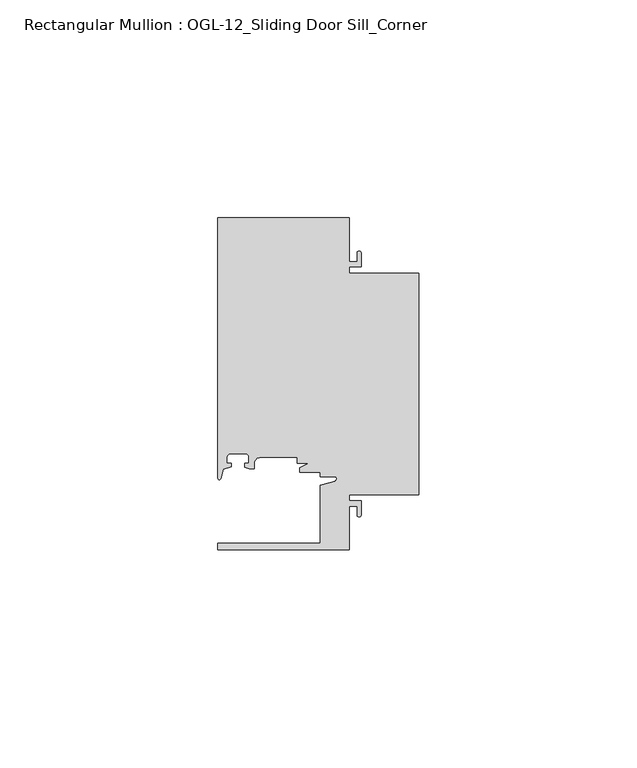
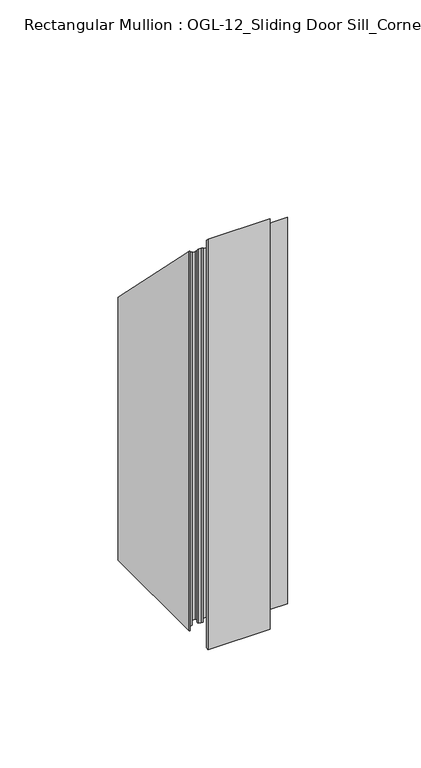
"""IFC4 building model written with IfcOpenShell, lengths in millimetres: member geometry, Rectangular Mullion : OGL-12_Sliding Door Sill_Corner."""

from ifc_helpers import new_model, si_unit, frame, origin, place, context, project, spatial, polyline, circle_curve, ellipse_curve, source, transform, mapped, element, save
from ifc_brep_helpers import plane_surface, cylinder_surface, revolved_surface, advanced_brep


def rectangular_mullion_ogl_12_sliding_door_sill_corner_7e4da131(model_context):
    return source(origin(), model_context, "Body", "AdvancedBrep", [
        advanced_brep(
        [(0.0, 4.7625, -203.9946845), (-15.934238, 4.7625, -203.9946845), (-15.934238, 3.3151991, -203.9946845), (-13.2417195, 3.3151991, -203.9946845), (-13.2417195, 0.1196497, -203.9946845), (-14.15323, 0.1196497, -203.9946845), (-14.15323, 2.1086991, -203.9946845), (-15.934238, 2.1086991, -203.9946845), (-15.934238, -7.9371792, -203.9946845), (-46.0931306, -7.9371792, -203.9946845), (-46.0931306, -6.3496792, -203.9946845), (-22.6260049, -6.3496792, -203.9946845), (-22.6260049, 6.8788334, -203.9946845), (-19.2086572, 7.8587421, -203.9946845), (-19.3562398, 8.9088472, -203.9946845), (-22.6027094, 8.9088472, -203.9946845), (-22.6027094, 9.9460025, -203.9946845), (-27.2970068, 9.9460025, -203.9946845), (-27.2970068, 10.896705, -203.9946845), (-25.1995125, 12.0119625, -203.9946845), (-27.9268052, 12.0119625, -203.9946845), (-27.9268052, 13.2988211, -203.9946845), (-36.3386331, 13.2988211, -203.9946845), (-37.7528423, 11.8825031, -203.9946845), (-37.7528423, 10.6805611, -203.9946845), (-38.8813571, 10.7133647, -203.9946845), (-39.9812066, 11.0948795, -203.9946845), (-39.9812066, 11.9378256, -203.9946845), (-39.0028438, 11.9378256, -203.9946845), (-39.0028438, 13.3878227, -203.9946845), (-39.8028422, 14.1878211, -203.9946845), (-43.2028354, 14.1878211, -203.9946845), (-44.0028338, 13.3878227, -203.9946845), (-44.0028338, 11.9378256, -203.9946845), (-43.0244711, 11.9378256, -203.9946845), (-43.0244711, 11.1260664, -203.9946845), (-44.83413, 10.5380726, -203.9946845), (-45.434586, 8.4440335, -203.9946845), (-46.0931306, 8.5365859, -203.9946845), (-46.0931306, 68.2628208, -203.9946845), (-15.934238, 68.2628208, -203.9946845), (-15.934238, 58.2169425, -203.9946845), (-14.15323, 58.2169425, -203.9946845), (-14.15323, 60.2053503, -203.9946845), (-13.2417195, 60.2053503, -203.9946845), (-13.2417195, 57.0104425, -203.9946845), (-15.934238, 57.0104425, -203.9946845), (-15.934238, 55.5625, -203.9946845), (0.0, 55.5625, -203.9946845), (0.0, 55.5625, -55.5625), (0.0, 4.7625, -4.7625), (-15.934238, 55.5625, -55.5625), (-15.934238, 57.0104425, -57.0104425), (-13.2417195, 57.0104425, -57.0104425), (-13.2417195, 60.2053503, -60.2053503), (-14.15323, 60.2053503, -60.2053503), (-14.15323, 58.2169425, -58.2169425), (-15.934238, 58.2169425, -58.2169425), (-15.934238, 68.2628208, -68.2628208), (-46.0931306, 68.2628208, -68.2628208), (-46.0931306, 8.5365859, -8.5365859), (-45.434586, 8.4440335, -8.4440335), (-44.83413, 10.5380726, -10.5380726), (-43.0244711, 11.1260664, -11.1260664), (-43.0244711, 11.9378256, -11.9378256), (-44.0028338, 11.9378256, -11.9378256), (-44.0028338, 13.3878227, -13.3878227), (-43.2028354, 14.1878211, -14.1878211), (-39.8028422, 14.1878211, -14.1878211), (-39.0028438, 13.3878227, -13.3878227), (-39.0028438, 11.9378256, -11.9378256), (-39.9812066, 11.9378256, -11.9378256), (-39.9812066, 11.0948795, -11.0948795), (-38.8813571, 10.7133647, -10.7133647), (-37.7528423, 10.6805611, -10.6805611), (-37.7528423, 11.8825031, -11.8825031), (-36.3386331, 13.2988211, -13.2988211), (-27.9268052, 13.2988211, -13.2988211), (-27.9268052, 12.0119625, -12.0119625), (-25.1995125, 12.0119625, -12.0119625), (-27.2970068, 10.896705, -10.896705), (-27.2970068, 9.9460025, -9.9460025), (-22.6027094, 9.9460025, -9.9460025), (-22.6027094, 8.9088472, -8.9088472), (-19.3562398, 8.9088472, -8.9088472), (-19.2086572, 7.8587421, -7.8587421), (-22.6260049, 6.8788334, -6.8788334), (-22.6260049, -6.3496792, 6.3496792), (-46.0931306, -6.3496792, 6.3496792), (-46.0931306, -7.9371792, 7.9371792), (-15.934238, -7.9371792, 7.9371792), (-15.934238, 2.1086991, -2.1086991), (-14.15323, 2.1086991, -2.1086991), (-14.15323, 0.1196497, -0.1196497), (-13.2417195, 0.1196497, -0.1196497), (-13.2417195, 3.3151991, -3.3151991), (-15.934238, 3.3151991, -3.3151991), (-15.934238, 4.7625, -4.7625)],
        [
            (0, 1),
            (1, 2),
            (2, 3),
            (3, 4),
            (4, 5, circle_curve(frame((-13.6974747, 0.1196497, -203.9946845), z_axis=(0.0, 0.0, -1.0), x_axis=(1.0, 0.0, 0.0)), 0.4557552)),
            (5, 6),
            (6, 7),
            (7, 8),
            (8, 9),
            (9, 10),
            (10, 11),
            (11, 12),
            (12, 13),
            (13, 14, circle_curve(frame((-19.3562398, 8.373424, -203.9946845), z_axis=(0.0, 0.0, 1.0), x_axis=(1.0, 0.0, 0.0)), 0.5354233)),
            (14, 15),
            (15, 16),
            (16, 17),
            (17, 18),
            (18, 19),
            (19, 20),
            (20, 21),
            (21, 22),
            (22, 23, circle_curve(frame((-36.3386331, 11.8846104, -203.9946845), z_axis=(0.0, 0.0, 1.0), x_axis=(-0.9999999999986251, -1.6582437952564231e-06, 0.0)), 1.4142107)),
            (23, 24),
            (24, 25),
            (25, 26),
            (26, 27),
            (27, 28),
            (28, 29),
            (29, 30, circle_curve(frame((-39.8028422, 13.3878227, -203.9946845), z_axis=(0.0, 0.0, 1.0), x_axis=(0.0, 1.0, 0.0)), 0.7999984)),
            (30, 31),
            (31, 32, circle_curve(frame((-43.2028354, 13.3878227, -203.9946845), z_axis=(0.0, 0.0, 1.0), x_axis=(-1.0, 1.799826092248439e-12, 0.0)), 0.7999984)),
            (32, 33),
            (33, 34),
            (34, 35),
            (35, 36),
            (36, 37),
            (37, 38, circle_curve(frame((-45.7573546, 8.5365859, -203.9946845), z_axis=(0.0, 0.0, -1.0), x_axis=(1.0, 0.0, 0.0)), 0.335776)),
            (38, 39),
            (39, 40),
            (40, 41),
            (41, 42),
            (42, 43),
            (43, 44, circle_curve(frame((-13.6974747, 60.2053503, -203.9946845), z_axis=(0.0, 0.0, -1.0), x_axis=(1.0, 0.0, 0.0)), 0.4557552)),
            (44, 45),
            (45, 46),
            (46, 47),
            (47, 48),
            (48, 0),
            (49, 50),
            (50, 0),
            (48, 49),
            (51, 49),
            (47, 51),
            (52, 51),
            (46, 52),
            (53, 52),
            (45, 53),
            (54, 53),
            (44, 54),
            (55, 54, ellipse_curve(frame((-13.6974747, 60.2053503, -60.2053503), z_axis=(0.0, -0.7071067811865476, -0.7071067811865476), x_axis=(0.0, -0.7071067811865476, 0.7071067811865475)), 0.6445352, 0.4557552)),
            (43, 55),
            (56, 55),
            (42, 56),
            (57, 56),
            (41, 57),
            (58, 57),
            (40, 58),
            (59, 58),
            (39, 59),
            (60, 59),
            (38, 60),
            (61, 60, ellipse_curve(frame((-45.7573546, 8.5365859, -8.5365859), z_axis=(0.0, -0.7071067811865476, -0.7071067811865476), x_axis=(0.0, -0.7071067811865476, 0.7071067811865475)), 0.474859, 0.335776)),
            (37, 61),
            (62, 61),
            (36, 62),
            (63, 62),
            (35, 63),
            (64, 63),
            (34, 64),
            (65, 64),
            (33, 65),
            (66, 65),
            (32, 66),
            (67, 66, ellipse_curve(frame((-43.2028354, 13.3878227, -13.3878227), z_axis=(0.0, 0.7071067811865476, 0.7071067811865476), x_axis=(0.0, 0.7071067811865476, -0.7071067811865475)), 1.1313686, 0.7999984)),
            (31, 67),
            (68, 67),
            (30, 68),
            (69, 68, ellipse_curve(frame((-39.8028422, 13.3878227, -13.3878227), z_axis=(0.0, 0.7071067811865476, 0.7071067811865476), x_axis=(0.0, 0.7071067811865476, -0.7071067811865475)), 1.1313686, 0.7999984)),
            (29, 69),
            (70, 69),
            (28, 70),
            (71, 70),
            (27, 71),
            (72, 71),
            (26, 72),
            (73, 72),
            (25, 73),
            (74, 73),
            (24, 74),
            (75, 74),
            (23, 75),
            (76, 75, ellipse_curve(frame((-36.3386331, 11.8846104, -11.8846104), z_axis=(0.0, 0.7071067811865476, 0.7071067811865476), x_axis=(0.0, 0.7071067811865476, -0.7071067811865475)), 1.999996, 1.4142107)),
            (22, 76),
            (77, 76),
            (21, 77),
            (78, 77),
            (20, 78),
            (79, 78),
            (19, 79),
            (80, 79),
            (18, 80),
            (81, 80),
            (17, 81),
            (82, 81),
            (16, 82),
            (83, 82),
            (15, 83),
            (84, 83),
            (14, 84),
            (85, 84, ellipse_curve(frame((-19.3562398, 8.373424, -8.373424), z_axis=(0.0, 0.7071067811865476, 0.7071067811865476), x_axis=(0.0, 0.7071067811865476, -0.7071067811865475)), 0.7572029, 0.5354233)),
            (13, 85),
            (86, 85),
            (12, 86),
            (87, 86),
            (11, 87),
            (88, 87),
            (10, 88),
            (89, 88),
            (9, 89),
            (90, 89),
            (8, 90),
            (91, 90),
            (7, 91),
            (92, 91),
            (6, 92),
            (93, 92),
            (5, 93),
            (94, 93, ellipse_curve(frame((-13.6974747, 0.1196497, -0.1196497), z_axis=(0.0, -0.7071067811865476, -0.7071067811865476), x_axis=(0.0, -0.7071067811865476, 0.7071067811865475)), 0.6445352, 0.4557552)),
            (4, 94),
            (95, 94),
            (3, 95),
            (96, 95),
            (2, 96),
            (97, 96),
            (1, 97),
            (50, 97),
        ],
        [
            plane_surface(frame((0.0, -82.3674049, -203.9946845), z_axis=(0.0, 0.0, -1.0), x_axis=(-1.0, 0.0, 0.0))),
            plane_surface(frame((0.0, 4.7625, 0.0), z_axis=(1.0, 0.0, 0.0), x_axis=(0.0, 0.0, -1.0))),
            plane_surface(frame((0.0, 55.5625, 0.0), z_axis=(0.0, 1.0, 0.0), x_axis=(0.0, 0.0, -1.0))),
            plane_surface(frame((-15.934238, 55.5625, 0.0), z_axis=(1.0, 0.0, 0.0), x_axis=(0.0, 0.0, -1.0))),
            plane_surface(frame((-15.934238, 57.0104425, 0.0), z_axis=(0.0, -1.0, 0.0), x_axis=(0.0, 0.0, -1.0))),
            plane_surface(frame((-13.2417195, 57.0104425, 0.0), z_axis=(1.0, 0.0, 0.0), x_axis=(0.0, 0.0, -1.0))),
            cylinder_surface(frame((-13.6974747, 60.2053503, 0.0), z_axis=(0.0, 0.0, 1.0), x_axis=(1.0, 0.0, 0.0)), 0.4557552),
            plane_surface(frame((-14.15323, 60.2053503, 0.0), z_axis=(-1.0, 0.0, 0.0), x_axis=(0.0, 0.0, -1.0))),
            plane_surface(frame((-14.15323, 58.2169425, 0.0), z_axis=(0.0, 1.0, 0.0), x_axis=(0.0, 0.0, -1.0))),
            plane_surface(frame((-15.934238, 58.2169425, 0.0), z_axis=(1.0, 0.0, 0.0), x_axis=(0.0, 0.0, -1.0))),
            plane_surface(frame((-15.934238, 68.2628208, 0.0), z_axis=(0.0, 1.0, 0.0), x_axis=(0.0, 0.0, -1.0))),
            plane_surface(frame((-46.0931306, 68.2628208, 0.0), z_axis=(-1.0, 0.0, 0.0), x_axis=(0.0, 0.0, -1.0))),
            cylinder_surface(frame((-45.7573546, 8.5365859, 0.0), z_axis=(0.0, 0.0, 1.0), x_axis=(1.0, 0.0, 0.0)), 0.335776),
            plane_surface(frame((-45.434586, 8.4440335, 0.0), z_axis=(0.9612616959383194, -0.2756373558169974, 0.0), x_axis=(0.0, 0.0, -1.0))),
            plane_surface(frame((-44.83413, 10.5380726, 0.0), z_axis=(0.3090169943749513, -0.9510565162951524, 0.0), x_axis=(0.0, 0.0, -1.0))),
            plane_surface(frame((-43.0244711, 11.1260664, 0.0), z_axis=(1.0, 4.43377596609906e-12, 0.0), x_axis=(0.0, 0.0, -1.0))),
            plane_surface(frame((-43.0244711, 11.9378256, 0.0), z_axis=(-4.433747641661293e-12, 1.0, 0.0), x_axis=(0.0, 0.0, -1.0))),
            plane_surface(frame((-44.0028338, 11.9378256, 0.0), z_axis=(1.0, 0.0, 0.0), x_axis=(0.0, 0.0, -1.0))),
            revolved_surface(polyline([(-44.0028338, 13.38782270000144, -203.9946845), (-44.0028338, 13.38782270000144, -12.58782429091847)]), (-43.2028354, 13.3878227, 0.0), (0.0, 0.0, -1.0)),
            plane_surface(frame((-43.2028354, 14.1878211, 0.0), z_axis=(0.0, -1.0, 0.0), x_axis=(0.0, 0.0, -1.0))),
            revolved_surface(polyline([(-39.8028422, 14.187821099999999, -203.9946845), (-39.8028422, 14.187821099999999, -12.58782429091847)]), (-39.8028422, 13.3878227, 0.0), (0.0, 0.0, -1.0)),
            plane_surface(frame((-39.0028438, 13.3878227, 0.0), z_axis=(-1.0, 0.0, 0.0), x_axis=(0.0, 0.0, -1.0))),
            plane_surface(frame((-39.0028438, 11.9378256, 0.0), z_axis=(-4.433747641661293e-12, 1.0, 0.0), x_axis=(0.0, 0.0, -1.0))),
            plane_surface(frame((-39.9812066, 11.9378256, 0.0), z_axis=(-1.0, -4.433451685302712e-12, 0.0), x_axis=(0.0, 0.0, -1.0))),
            plane_surface(frame((-39.9812066, 11.0948795, 0.0), z_axis=(-0.32772245719498466, -0.94477404232445, 0.0), x_axis=(0.0, 0.0, -1.0))),
            plane_surface(frame((-38.8813571, 10.7133647, 0.0), z_axis=(-0.029055596517580287, -0.999577797027829, 0.0), x_axis=(0.0, 0.0, -1.0))),
            plane_surface(frame((-37.7528423, 10.6805611, 0.0), z_axis=(1.0, 0.0, 0.0), x_axis=(0.0, 0.0, -1.0))),
            revolved_surface(polyline([(-37.75284379999806, 11.884608054893882, -203.9946845), (-37.75284379999806, 11.884608054893882, -10.47039966605403)]), (-36.3386331, 11.8846104, 0.0), (0.0, 0.0, -1.0)),
            plane_surface(frame((-36.3386331, 13.2988211, 0.0), z_axis=(0.0, -1.0, 0.0), x_axis=(0.0, 0.0, -1.0))),
            plane_surface(frame((-27.9268052, 13.2988211, 0.0), z_axis=(-1.0, 0.0, 0.0), x_axis=(0.0, 0.0, -1.0))),
            plane_surface(frame((-27.9268052, 12.0119625, 0.0), z_axis=(0.0, -1.0, 0.0), x_axis=(0.0, 0.0, -1.0))),
            plane_surface(frame((-25.1995125, 12.0119625, 0.0), z_axis=(-0.4694715627858938, 0.8829475928589254, 0.0), x_axis=(0.0, 0.0, -1.0))),
            plane_surface(frame((-27.2970068, 10.896705, 0.0), z_axis=(-1.0, 0.0, 0.0), x_axis=(0.0, 0.0, -1.0))),
            plane_surface(frame((-27.2970068, 9.9460025, 0.0), z_axis=(0.0, -1.0, 0.0), x_axis=(0.0, 0.0, -1.0))),
            plane_surface(frame((-22.6027094, 9.9460025, 0.0), z_axis=(-1.0, 0.0, 0.0), x_axis=(0.0, 0.0, -1.0))),
            plane_surface(frame((-22.6027094, 8.9088472, 0.0), z_axis=(0.0, -1.0, 0.0), x_axis=(0.0, 0.0, -1.0))),
            revolved_surface(polyline([(-18.8208165, 8.373424, -203.9946845), (-18.8208165, 8.373424, -7.8380006946758805)]), (-19.3562398, 8.373424, 0.0), (0.0, 0.0, -1.0)),
            plane_surface(frame((-19.2086572, 7.8587421, 0.0), z_axis=(-0.2756373558170016, 0.9612616959383182, 0.0), x_axis=(0.0, 0.0, -1.0))),
            plane_surface(frame((-22.6260049, 6.8788334, 0.0), z_axis=(-1.0, 0.0, 0.0), x_axis=(0.0, 0.0, -1.0))),
            plane_surface(frame((-22.6260049, -6.3496792, 0.0), z_axis=(0.0, 1.0, 0.0), x_axis=(0.0, 0.0, -1.0))),
            plane_surface(frame((-46.0931306, -6.3496792, 0.0), z_axis=(-1.0, 0.0, 0.0), x_axis=(0.0, 0.0, -1.0))),
            plane_surface(frame((-46.0931306, -7.9371792, 0.0), z_axis=(0.0, -1.0, 0.0), x_axis=(0.0, 0.0, -1.0))),
            plane_surface(frame((-15.934238, -7.9371792, 0.0), z_axis=(1.0, 0.0, 0.0), x_axis=(0.0, 0.0, -1.0))),
            plane_surface(frame((-15.934238, 2.1086991, 0.0), z_axis=(0.0, -1.0, 0.0), x_axis=(0.0, 0.0, -1.0))),
            plane_surface(frame((-14.15323, 2.1086991, 0.0), z_axis=(-1.0, 0.0, 0.0), x_axis=(0.0, 0.0, -1.0))),
            cylinder_surface(frame((-13.6974747, 0.1196497, 0.0), z_axis=(0.0, 0.0, 1.0), x_axis=(1.0, 0.0, 0.0)), 0.4557552),
            plane_surface(frame((-13.2417195, 0.1196497, 0.0), z_axis=(1.0, 0.0, 0.0), x_axis=(0.0, 0.0, -1.0))),
            plane_surface(frame((-13.2417195, 3.3151991, 0.0), z_axis=(0.0, 1.0, 0.0), x_axis=(0.0, 0.0, -1.0))),
            plane_surface(frame((-15.934238, 3.3151991, 0.0), z_axis=(1.0, 0.0, 0.0), x_axis=(0.0, 0.0, -1.0))),
            plane_surface(frame((-15.934238, 4.7625, 0.0), z_axis=(0.0, -1.0, 0.0), x_axis=(0.0, 0.0, -1.0))),
            plane_surface(frame((-304.8, 0.0, 0.0), z_axis=(0.0, 0.7071067811865476, 0.7071067811865476), x_axis=(0.0, 0.7071067811865476, -0.7071067811865476))),
        ],
        [
            (0, [[1, 2, 3, 4, 5, 6, 7, 8, 9, 10, 11, 12, 13, 14, 15, 16, 17, 18, 19, 20, 21, 22, 23, 24, 25, 26, 27, 28, 29, 30, 31, 32, 33, 34, 35, 36, 37, 38, 39, 40, 41, 42, 43, 44, 45, 46, 47, 48, 49]]),
            (1, [[50, 51, -49, 52]]),
            (2, [[53, -52, -48, 54]]),
            (3, [[55, -54, -47, 56]]),
            (4, [[57, -56, -46, 58]]),
            (5, [[59, -58, -45, 60]]),
            (6, [[61, -60, -44, 62]]),
            (7, [[63, -62, -43, 64]]),
            (8, [[65, -64, -42, 66]]),
            (9, [[67, -66, -41, 68]]),
            (10, [[69, -68, -40, 70]]),
            (11, [[71, -70, -39, 72]]),
            (12, [[73, -72, -38, 74]]),
            (13, [[75, -74, -37, 76]]),
            (14, [[77, -76, -36, 78]]),
            (15, [[79, -78, -35, 80]]),
            (16, [[81, -80, -34, 82]]),
            (17, [[83, -82, -33, 84]]),
            (18, [[85, -84, -32, 86]]),
            (19, [[87, -86, -31, 88]]),
            (20, [[89, -88, -30, 90]]),
            (21, [[91, -90, -29, 92]]),
            (22, [[93, -92, -28, 94]]),
            (23, [[95, -94, -27, 96]]),
            (24, [[97, -96, -26, 98]]),
            (25, [[99, -98, -25, 100]]),
            (26, [[101, -100, -24, 102]]),
            (27, [[103, -102, -23, 104]]),
            (28, [[105, -104, -22, 106]]),
            (29, [[107, -106, -21, 108]]),
            (30, [[109, -108, -20, 110]]),
            (31, [[111, -110, -19, 112]]),
            (32, [[113, -112, -18, 114]]),
            (33, [[115, -114, -17, 116]]),
            (34, [[117, -116, -16, 118]]),
            (35, [[119, -118, -15, 120]]),
            (36, [[121, -120, -14, 122]]),
            (37, [[123, -122, -13, 124]]),
            (38, [[125, -124, -12, 126]]),
            (39, [[127, -126, -11, 128]]),
            (40, [[129, -128, -10, 130]]),
            (41, [[131, -130, -9, 132]]),
            (42, [[133, -132, -8, 134]]),
            (43, [[135, -134, -7, 136]]),
            (44, [[137, -136, -6, 138]]),
            (45, [[139, -138, -5, 140]]),
            (46, [[141, -140, -4, 142]]),
            (47, [[143, -142, -3, 144]]),
            (48, [[145, -144, -2, 146]]),
            (49, [[147, -146, -1, -51]]),
            (50, [[-50, -53, -55, -57, -59, -61, -63, -65, -67, -69, -71, -73, -75, -77, -79, -81, -83, -85, -87, -89, -91, -93, -95, -97, -99, -101, -103, -105, -107, -109, -111, -113, -115, -117, -119, -121, -123, -125, -127, -129, -131, -133, -135, -137, -139, -141, -143, -145, -147]]),
        ],
    ),
    ])


if __name__ == "__main__":
    model = new_model("IFC4")
    model_context = context("Model", 3, world=origin())
    ifc_project = project(units=[si_unit("LENGTHUNIT", "METRE", prefix="MILLI")], contexts=[model_context])
    site = spatial("IfcSite", under=ifc_project)
    building = spatial("IfcBuilding", under=site)
    placement = place(None, origin())
    rectangular_mullion_ogl_12_sliding_door_sill_corner_shape = rectangular_mullion_ogl_12_sliding_door_sill_corner_7e4da131(model_context)
    element("IfcMember", 1, ObjectType="Rectangular Mullion : OGL-12_Sliding Door Sill_Corner", at=placement, inside=building, context=model_context, shape_type="MappedRepresentation", body=[
        mapped(rectangular_mullion_ogl_12_sliding_door_sill_corner_shape, transform((0.0, 0.0, 0.0), x_axis=(1.0, 0.0, 0.0), y_axis=(0.0, 1.0, 0.0), z_axis=(0.0, 0.0, 1.0))),
    ])
    save(model, "model.ifc")
